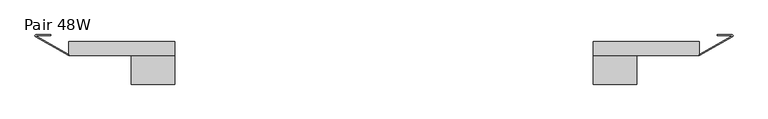
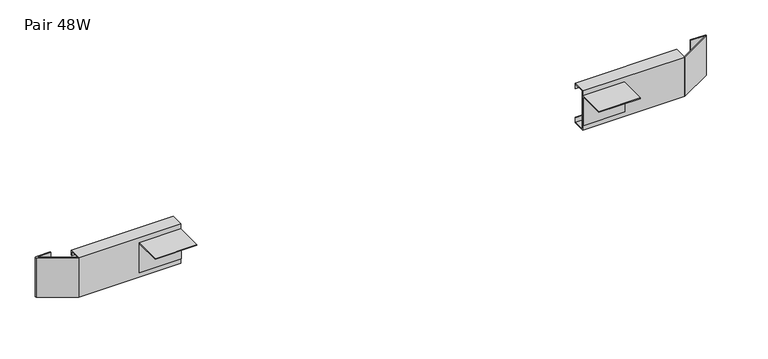
"""IFC4 building model written with IfcOpenShell, lengths in millimetres: furniture geometry, Pair 48W."""

from ifc_helpers import new_model, si_unit, point, frame, frame_2d, origin, place, context, project, spatial, polyline, circle_curve, trimmed, segment, composite_curve, outline, extrude, source, transform, mapped, element, save


def pair_48w_c24ceb21(model_context):
    return source(origin(), model_context, "Body", "SweptSolid", [
        extrude(outline(composite_curve([segment(polyline([(1197.9238485, 0.6810917), (1224.1620482, 0.6810917), (1225.3307654, 0.1351898), (1225.662206, -1.111428), (1224.9189235, -2.1656766), (1166.5040481, -35.5901082), (1166.5040481, -34.1269049), (1223.5862825, -1.4649977)]), True, "CONTINUOUS"), segment(trimmed(circle_curve(frame_2d((1223.241799, -0.8629543)), 0.6936319), [point((1223.5862825, -1.4649977))], [point((1223.8789991, -0.5889084))], True, "CARTESIAN"), True, "CONTINUOUS"), segment(polyline([(1223.8789991, -0.5889084), (1197.9238485, -0.5889084), (1197.9238485, 0.6810917)]), True, "CONTINUOUS")], self_intersect=False)), frame((0.0, 0.0, 624.44612), z_axis=(0.0, 0.0, 1.0), x_axis=(1.0, 0.0, 0.0)), (0.0, 0.0, 1.0), 76.1112641),
        extrude(outline(polyline([(-86.390112, 691.0323841), (-35.5901082, 691.0323841), (-35.5901082, 633.8823841), (-36.8601093, 633.8823841), (-36.8601093, 689.7624035), (-86.390112, 689.7624035), (-86.390112, 691.0323841)])), frame((980.3220394, 0.0, 0.0), z_axis=(1.0, 0.0, 0.0), x_axis=(0.0, 1.0, 0.0)), (0.0, 0.0, 1.0), 76.2),
        extrude(outline(polyline([(-11.4601085, 700.5573841), (-11.4601085, 690.3973938), (-12.7301085, 690.3973938), (-12.7301085, 699.2874035), (-34.1269049, 699.2874035), (-34.1269049, 625.6273647), (-12.7301085, 625.6273647), (-12.7301085, 634.5173744), (-11.4601085, 634.5173744), (-11.4601085, 624.44612), (-35.5901082, 624.44612), (-35.5901082, 700.5573841), (-11.4601085, 700.5573841)])), frame((980.3220394, 0.0, 0.0), z_axis=(1.0, 0.0, 0.0), x_axis=(0.0, 1.0, 0.0)), (0.0, 0.0, 1.0), 186.1820087),
        extrude(outline(composite_curve([segment(polyline([(28.9142303, 0.6810917), (28.9142303, -0.5889084), (2.9590797, -0.5889084)]), True, "CONTINUOUS"), segment(trimmed(circle_curve(frame_2d((3.5962798, -0.8629543)), 0.6936319), [point((2.9590797, -0.5889084))], [point((3.2517963, -1.4649977))], True, "CARTESIAN"), True, "CONTINUOUS"), segment(polyline([(3.2517963, -1.4649977), (60.3340308, -34.1269049), (60.3340308, -35.5901082), (1.9191553, -2.1656766), (1.1758729, -1.111428), (1.5073134, 0.1351898), (2.6760307, 0.6810917), (28.9142303, 0.6810917)]), True, "CONTINUOUS")], self_intersect=False)), frame((0.0, 0.0, 624.44612), z_axis=(0.0, 0.0, 1.0), x_axis=(1.0, 0.0, 0.0)), (0.0, 0.0, 1.0), 76.1112641),
        extrude(outline(polyline([(-86.390112, 691.0323841), (-35.5901082, 691.0323841), (-35.5901082, 633.8823841), (-36.8601093, 633.8823841), (-36.8601093, 689.7624035), (-86.390112, 689.7624035), (-86.390112, 691.0323841)])), frame((170.3160394, 0.0, 0.0), z_axis=(1.0, 0.0, 0.0), x_axis=(0.0, 1.0, 0.0)), (0.0, 0.0, 1.0), 76.2),
        extrude(outline(polyline([(-11.4601085, 700.5573841), (-11.4601085, 690.3973938), (-12.7301085, 690.3973938), (-12.7301085, 699.2874035), (-34.1269049, 699.2874035), (-34.1269049, 625.6273647), (-12.7301085, 625.6273647), (-12.7301085, 634.5173744), (-11.4601085, 634.5173744), (-11.4601085, 624.44612), (-35.5901082, 624.44612), (-35.5901082, 700.5573841), (-11.4601085, 700.5573841)])), frame((60.3340308, 0.0, 0.0), z_axis=(1.0, 0.0, 0.0), x_axis=(0.0, 1.0, 0.0)), (0.0, 0.0, 1.0), 186.1820087),
    ])


if __name__ == "__main__":
    model = new_model("IFC4")
    model_context = context("Model", 3, world=origin())
    ifc_project = project(units=[si_unit("LENGTHUNIT", "METRE", prefix="MILLI")], contexts=[model_context])
    site = spatial("IfcSite", under=ifc_project)
    building = spatial("IfcBuilding", under=site)
    placement = place(None, origin())
    pair_48w_shape = pair_48w_c24ceb21(model_context)
    element("IfcFurniture", 1, ObjectType="Pair 48W", at=placement, inside=building, context=model_context, shape_type="MappedRepresentation", body=[
        mapped(pair_48w_shape, transform((0.0, 0.0, 0.0), x_axis=(1.0, 0.0, 0.0), y_axis=(0.0, 1.0, 0.0), z_axis=(0.0, 0.0, 1.0))),
    ])
    save(model, "model.ifc")
